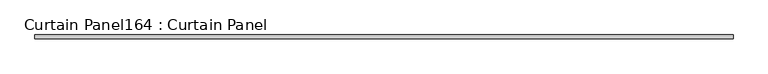
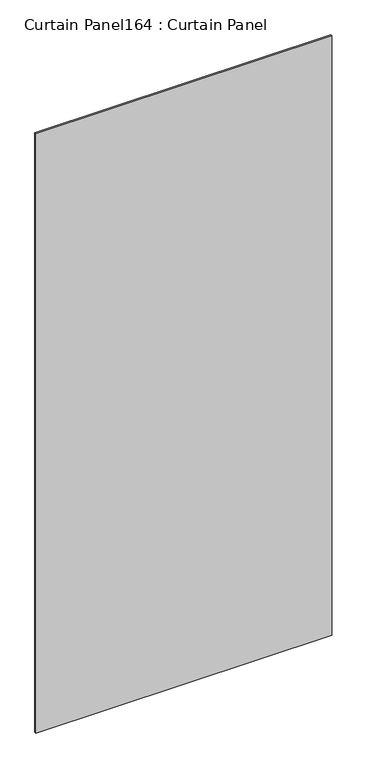
"""IFC4 building model written with IfcOpenShell, lengths in millimetres: plate geometry, Curtain Panel164 : Curtain Panel."""

from ifc_helpers import new_model, si_unit, frame, origin, place, context, project, spatial, polyline, outline, extrude, source, transform, mapped, element, save


def curtain_panel164_curtain_panel_e0d96b2e(model_context):
    return source(origin(), model_context, "Body", "SweptSolid", [
        extrude(outline(polyline([(450289.9898115, 2305.3839321), (445560.0243783, 2305.3839321), (445560.0243783, 2330.7839321), (450289.9898115, 2330.7839321), (450289.9898115, 2305.3839321)])), frame((0.0, 0.0, 5171.9382155), z_axis=(0.0, 0.0, 1.0), x_axis=(1.0, 0.0, 0.0)), (0.0, 0.0, 1.0), 10124.9190587),
    ])


if __name__ == "__main__":
    model = new_model("IFC4")
    model_context = context("Model", 3, world=origin())
    ifc_project = project(units=[si_unit("LENGTHUNIT", "METRE", prefix="MILLI")], contexts=[model_context])
    site = spatial("IfcSite", under=ifc_project)
    building = spatial("IfcBuilding", under=site)
    placement = place(None, origin())
    curtain_panel164_curtain_panel_shape = curtain_panel164_curtain_panel_e0d96b2e(model_context)
    element("IfcPlate", 1, ObjectType="Curtain Panel164 : Curtain Panel", at=placement, inside=building, context=model_context, shape_type="MappedRepresentation", body=[
        mapped(curtain_panel164_curtain_panel_shape, transform((0.0, 0.0, 0.0), x_axis=(1.0, 0.0, 0.0), y_axis=(0.0, 1.0, 0.0), z_axis=(0.0, 0.0, 1.0))),
    ])
    save(model, "model.ifc")
